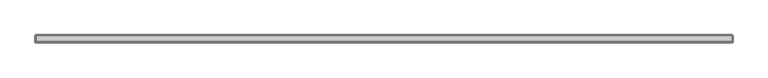
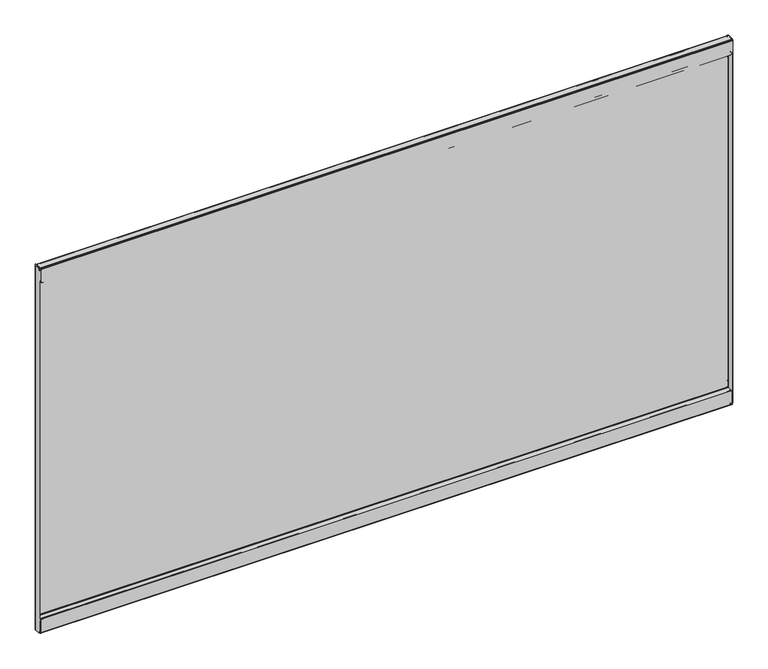
"""IFC4 building model written with IfcOpenShell, lengths in millimetres: furniture geometry."""

from ifc_helpers import new_model, si_unit, origin, place, context, project, spatial, triangles, source, transform, mapped, element, save


def furniture_b4a425d5(model_context):
    return source(origin(), model_context, "Body", "Tessellation", [
        triangles([(36.8807998, -16.4083996, 61.8998009), (36.8807998, -15.6717996, 61.8998009), (36.1188005, -15.6717996, 61.695621), (36.1188005, -16.4083996, 61.695621), (35.5609767, -15.6717996, 61.1378016), (35.5609767, -16.4083996, 61.1378016), (35.356799, -15.6717996, 60.3757978), (35.356799, -16.4083996, 60.3757978), (35.356799, -16.4083996, 49.9364005), (35.356799, -15.6717996, 49.9364005), (35.356799, -15.8691713, 49.1997994), (35.356799, -16.5070854, 49.5681), (35.356799, -16.4083996, 48.66057), (35.356799, -16.7767001, 49.2984852), (35.356799, -17.1449995, 49.1997994), (35.356799, -17.1449995, 48.4631983), (1183.8940155, -15.6717996, 49.9364005), (1183.8940155, -15.8691713, 49.1997994), (1183.8940155, -16.4083996, 48.66057), (1183.8940155, -17.1449995, 48.4631983), (1182.3699806, -16.4083996, 61.8998009), (1182.3699806, -15.6717996, 61.8998009), (1183.1319981, -15.6717996, 61.695621), (1183.1319981, -16.4083996, 61.695621), (1183.6898129, -15.6717996, 61.1378016), (1183.6898129, -16.4083996, 61.1378016), (1183.8940155, -15.6717996, 60.3757978), (1183.8940155, -16.4083996, 60.3757978), (1183.8940155, -16.4083996, 49.9364005), (1183.8940155, -16.5070854, 49.5681), (1183.8940155, -16.7767001, 49.2984852), (1183.8940155, -17.1449995, 49.1997994), (35.356799, -25.4253989, 49.1997994), (35.356799, -25.4253989, 48.4631983), (35.356799, -25.7936995, 48.3645125), (35.356799, -26.162, 49.0024277), (35.356799, -26.0633142, 48.0948977), (35.356799, -26.7012295, 48.4631983), (35.356799, -26.162, 47.7266017), (35.356799, -26.8985989, 47.7266017), (1183.8940155, -25.4253989, 48.4631983), (1183.8940155, -25.7936995, 48.3645125), (1183.8940155, -26.0633142, 48.0948977), (1183.8940155, -26.162, 47.7266017), (1183.8940155, -25.4253989, 49.1997994), (1183.8940155, -26.162, 49.0024277), (1183.8940155, -26.7012295, 48.4631983), (1183.8940155, -26.8985989, 47.7266017), (35.356799, -26.162, 27.8130007), (35.356799, -26.8985989, 27.8130007), (35.356799, -26.0633142, 27.4447002), (35.356799, -26.7012295, 27.0763996), (35.356799, -26.162, 26.5371724), (35.356799, -25.7936995, 27.1750854), (35.356799, -25.4253989, 26.3398008), (35.356799, -25.4253989, 27.0763996), (1183.8940155, -26.8985989, 27.8130007), (1183.8940155, -26.7012295, 27.0763996), (1183.8940155, -26.162, 26.5371724), (1183.8940155, -25.4253989, 26.3398008), (1183.8940155, -26.162, 27.8130007), (1183.8940155, -26.0633142, 27.4447002), (1183.8940155, -25.7936995, 27.1750854), (1183.8940155, -25.4253989, 27.0763996), (35.356799, -16.4083996, 27.8130007), (35.356799, -15.6717996, 27.8130007), (35.356799, -15.8691713, 27.0763996), (35.356799, -16.5070854, 27.4447002), (35.356799, -16.7767001, 27.1750854), (35.356799, -16.4083996, 26.5371724), (35.356799, -17.1449995, 27.0763996), (35.356799, -17.1449995, 26.3398008), (1183.8940155, -15.6717996, 27.8130007), (1183.8940155, -15.8691713, 27.0763996), (1183.8940155, -16.4083996, 26.5371724), (1183.8940155, -17.1449995, 26.3398008), (1183.8940155, -16.4083996, 27.8130007), (1183.8940155, -16.5070854, 27.4447002), (1183.8940155, -16.7767001, 27.1750854), (1183.8940155, -17.1449995, 27.0763996), (35.356799, -16.4083996, 34.3408), (35.356799, -15.6717996, 34.3408), (35.5609767, -15.6717996, 35.1027992), (35.5609767, -16.4083996, 35.1027992), (36.1188005, -15.6717996, 35.6606231), (36.1188005, -16.4083996, 35.6606231), (36.8807998, -15.6717996, 35.8648008), (36.8807998, -16.4083996, 35.8648008), (1183.8940155, -16.4083996, 34.3408), (1183.6898129, -16.4083996, 35.1027992), (1183.1319981, -16.4083996, 35.6606231), (1182.3699806, -16.4083996, 35.8648008), (1183.8940155, -15.6717996, 34.3408), (1183.6898129, -15.6717996, 35.1027992), (1183.1319981, -15.6717996, 35.6606231), (1182.3699806, -15.6717996, 35.8648008), (36.1188005, -16.4083996, 630.9115625), (36.1188005, -15.6717996, 630.9115625), (36.8807998, -15.6717996, 630.7074326), (36.8807998, -16.4083996, 630.7074326), (35.5609767, -16.4083996, 631.4693773), (35.5609767, -15.6717996, 631.4693773), (35.356799, -16.4083996, 632.2313948), (35.356799, -15.6717996, 632.2313948), (35.356799, -16.5070854, 643.0390926), (35.356799, -15.8691713, 643.4073841), (35.356799, -16.4083996, 642.6708012), (35.356799, -15.6717996, 642.6708012), (35.356799, -16.7767001, 643.3086983), (35.356799, -16.4083996, 643.9465954), (35.356799, -17.1449995, 643.4073841), (35.356799, -17.1449995, 644.1439671), (1183.8940155, -15.8691713, 643.4073841), (1183.8940155, -15.6717996, 642.6708012), (1183.8940155, -16.4083996, 643.9465954), (1183.8940155, -17.1449995, 644.1439671), (1183.1319981, -16.4083996, 630.9115625), (1183.1319981, -15.6717996, 630.9115625), (1182.3699806, -15.6717996, 630.7074326), (1182.3699806, -16.4083996, 630.7074326), (1183.6898129, -16.4083996, 631.4693773), (1183.6898129, -15.6717996, 631.4693773), (1183.8940155, -16.4083996, 632.2313948), (1183.8940155, -15.6717996, 632.2313948), (1183.8940155, -16.5070854, 643.0390926), (1183.8940155, -16.4083996, 642.6708012), (1183.8940155, -16.7767001, 643.3086983), (1183.8940155, -17.1449995, 643.4073841), (35.356799, -26.162, 643.6047558), (35.356799, -25.7936995, 644.2426529), (35.356799, -25.4253989, 644.1439671), (35.356799, -25.4253989, 643.4073841), (35.356799, -26.7012295, 644.1439671), (35.356799, -26.0633142, 644.5123312), (35.356799, -26.8985989, 644.8806227), (35.356799, -26.162, 644.8806227), (1183.8940155, -25.7936995, 644.2426529), (1183.8940155, -25.4253989, 644.1439671), (1183.8940155, -26.0633142, 644.5123312), (1183.8940155, -26.162, 644.8806227), (1183.8940155, -26.162, 643.6047558), (1183.8940155, -25.4253989, 643.4073841), (1183.8940155, -26.7012295, 644.1439671), (1183.8940155, -26.8985989, 644.8806227), (35.356799, -26.0633142, 665.1625242), (35.356799, -26.7012295, 665.5308157), (35.356799, -26.162, 664.7942327), (35.356799, -26.8985989, 664.7942327), (35.356799, -25.7936995, 665.4321299), (35.356799, -26.162, 666.070027), (35.356799, -25.4253989, 665.5308157), (35.356799, -25.4253989, 666.2673986), (1183.8940155, -26.7012295, 665.5308157), (1183.8940155, -26.8985989, 664.7942327), (1183.8940155, -26.162, 666.070027), (1183.8940155, -25.4253989, 666.2673986), (1183.8940155, -26.0633142, 665.1625242), (1183.8940155, -26.162, 664.7942327), (1183.8940155, -25.7936995, 665.4321299), (1183.8940155, -25.4253989, 665.5308157), (35.356799, -16.5070854, 665.1625242), (35.356799, -15.8691713, 665.5308157), (35.356799, -16.4083996, 664.7942327), (35.356799, -15.6717996, 664.7942327), (35.356799, -16.7767001, 665.4321299), (35.356799, -16.4083996, 666.070027), (35.356799, -17.1449995, 665.5308157), (35.356799, -17.1449995, 666.2673986), (1183.8940155, -15.8691713, 665.5308157), (1183.8940155, -15.6717996, 664.7942327), (1183.8940155, -16.4083996, 666.070027), (1183.8940155, -17.1449995, 666.2673986), (1183.8940155, -16.5070854, 665.1625242), (1183.8940155, -16.4083996, 664.7942327), (1183.8940155, -16.7767001, 665.4321299), (1183.8940155, -17.1449995, 665.5308157), (35.5609767, -16.4083996, 657.5044161), (35.5609767, -15.6717996, 657.5044161), (35.356799, -15.6717996, 658.2664335), (35.356799, -16.4083996, 658.2664335), (36.1188005, -16.4083996, 656.9466013), (36.1188005, -15.6717996, 656.9466013), (36.8807998, -16.4083996, 656.7423986), (36.8807998, -15.6717996, 656.7423986), (1183.6898129, -16.4083996, 657.5044161), (1183.8940155, -16.4083996, 658.2664335), (1183.1319981, -16.4083996, 656.9466013), (1182.3699806, -16.4083996, 656.7423986), (1183.6898129, -15.6717996, 657.5044161), (1183.8940155, -15.6717996, 658.2664335), (1183.1319981, -15.6717996, 656.9466013), (1182.3699806, -15.6717996, 656.7423986), (33.2994005, -24.4602007, 667.0039816), (34.0359993, -24.4602007, 667.0039816), (33.2994005, -26.0476992, 666.5786442), (34.0359993, -26.0476992, 666.5786442), (33.2994005, -27.2098308, 665.4165058), (34.0359993, -27.2098308, 665.4165058), (33.2994005, -27.6352, 663.82903), (34.0359993, -27.6352, 663.82903), (34.0359993, -16.4338, 667.0039816), (33.2994005, -16.4338, 667.0039816), (34.1380893, -16.0528004, 667.0039816), (33.500174, -15.6844998, 667.0039816), (34.416999, -15.7738884, 667.0039816), (34.0487007, -15.1359743, 667.0039816), (34.7980009, -14.9351996, 667.0039816), (34.7980009, -15.6717996, 667.0039816), (34.7980009, -16.4338, 667.0039816), (34.7980009, -16.4338, 666.2673986), (34.7980009, -27.0763996, 667.0039816), (34.7980009, -27.0763996, 666.2673986), (34.7980009, -27.4573992, 666.1652973), (34.7980009, -27.8256998, 666.8031944), (34.7980009, -27.7363112, 665.8863899), (34.7980009, -28.3742265, 666.2546814), (34.7980009, -27.8383989, 665.5053812), (34.7980009, -28.575, 665.5053812), (34.7980009, -28.575, 644.77903), (34.7980009, -27.8383989, 644.77903), (35.2233701, -27.8383989, 643.1914816), (35.2233701, -28.575, 643.1914816), (36.3854994, -27.8383989, 642.0293432), (36.3854994, -28.575, 642.0293432), (37.9730001, -27.8383989, 641.6040058), (37.9730001, -28.575, 641.6040058), (1183.8940155, -27.8383989, 644.77903), (1183.4686054, -27.8383989, 643.1914816), (1182.3064671, -27.8383989, 642.0293432), (1180.7189913, -27.8383989, 641.6040058), (1183.8940155, -28.575, 644.77903), (1183.4686054, -28.575, 643.1914816), (1182.3064671, -28.575, 642.0293432), (1180.7189913, -28.575, 641.6040058), (1183.8940155, -27.0763996, 666.2673986), (1183.8940155, -27.4573992, 666.1652973), (1183.8940155, -27.7363112, 665.8863899), (1183.8940155, -27.8383989, 665.5053812), (1183.8940155, -27.0763996, 667.0039816), (1183.8940155, -27.8256998, 666.8031944), (1183.8940155, -28.3742265, 666.2546814), (1183.8940155, -28.575, 665.5053812), (1183.8940155, -16.4338, 666.2673986), (1183.8940155, -16.4338, 667.0039816), (1183.8940155, -16.0676296, 666.9585629), (1183.8940155, -16.2476116, 666.2442896), (1183.8940155, -15.9498418, 666.0940081), (1183.8940155, -15.482014, 666.6629414), (1183.8940155, -15.7448079, 665.8308701), (1183.8940155, -15.0787819, 666.1455311), (1183.8940155, -15.6717996, 665.5053812), (1183.8940155, -14.9351996, 665.5053812), (34.7980009, -16.0676296, 666.9585629), (34.7980009, -16.2476116, 666.2442896), (34.7980009, -15.9498418, 666.0940081), (34.7980009, -15.482014, 666.6629414), (34.7980009, -15.7448079, 665.8308701), (34.7980009, -15.0787819, 666.1455311), (34.7980009, -15.6717996, 665.5053812), (34.7980009, -14.9351996, 665.5053812), (1183.8940155, -15.6717996, 27.1018), (34.7980009, -15.6717996, 27.1018), (1183.8940155, -14.9351996, 27.1018), (34.7980009, -14.9351996, 27.1018), (1183.8940155, -14.9351996, 667.0039816), (1183.8940155, -15.6717996, 667.0039816), (1185.3926159, -16.4338, 667.0039816), (1184.6560329, -16.4338, 667.0039816), (1184.5539316, -16.0528004, 667.0039816), (1185.1918287, -15.6844998, 667.0039816), (1184.2750242, -15.7738884, 667.0039816), (1184.6433157, -15.1359743, 667.0039816), (1184.6560329, -16.4338, 25.6031997), (1184.5539316, -16.0528004, 25.6031997), (1184.2750242, -15.7738884, 25.6031997), (1183.8940155, -15.6717996, 25.6031997), (1185.3926159, -16.4338, 25.6031997), (1185.1918287, -15.6844998, 25.6031997), (1184.6433157, -15.1359743, 25.6031997), (1183.8940155, -14.9351996, 25.6031997), (1183.8940155, -16.0861389, 25.6440856), (1183.8940155, -16.2570235, 26.3605889), (1183.8940155, -15.9548492, 26.5091377), (1183.8940155, -15.4918619, 25.936228), (1183.8940155, -15.7461932, 26.7734067), (1183.8940155, -15.081507, 26.4559615), (34.7980009, -16.2570235, 26.3605889), (34.7980009, -15.9548492, 26.5091377), (34.7980009, -15.7461932, 26.7734067), (34.7980009, -15.081507, 26.4559615), (34.7980009, -15.4918619, 25.936228), (34.7980009, -16.0861389, 25.6440856), (1183.8940155, -16.4338, 25.6031997), (34.7980009, -16.4338, 25.6031997), (34.7980009, -16.4338, 26.3398008), (1183.8940155, -16.4338, 26.3398008), (1183.8940155, -27.0763996, 26.3398008), (1183.8940155, -27.0763996, 25.6031997), (34.7980009, -27.0763996, 26.3398008), (34.7980009, -27.0763996, 25.6031997), (34.7980009, -27.8383989, 27.1018), (34.7980009, -28.575, 27.1018), (34.7980009, -27.7363112, 26.7208004), (34.7980009, -28.3742265, 26.3524998), (34.7980009, -27.4573992, 26.4418885), (34.7980009, -27.8256998, 25.8039755), (1183.8940155, -27.8383989, 27.1018), (1183.8940155, -27.7363112, 26.7208004), (1183.8940155, -27.4573992, 26.4418885), (1183.8940155, -28.575, 27.1018), (1183.8940155, -28.3742265, 26.3524998), (1183.8940155, -27.8256998, 25.8039755), (1185.3926159, -24.4602007, 25.6031997), (1184.6560329, -24.4602007, 25.6031997), (1185.3926159, -26.0476992, 26.0285689), (1184.6560329, -26.0476992, 26.0285689), (1185.3926159, -27.2098308, 27.1907004), (1184.6560329, -27.2098308, 27.1907004), (1185.3926159, -27.6352, 28.7781989), (1184.6560329, -27.6352, 28.7781989), (1184.6560329, -27.6352, 663.82903), (1184.6560329, -27.2098308, 665.4165058), (1184.6560329, -26.0476992, 666.5786442), (1184.6560329, -24.4602007, 667.0039816), (1185.3926159, -27.6352, 663.82903), (1185.3926159, -27.2098308, 665.4165058), (1185.3926159, -26.0476992, 666.5786442), (1185.3926159, -24.4602007, 667.0039816), (1183.8940155, -28.575, 47.8281989), (1183.8940155, -27.8383989, 47.8281989), (1180.7189913, -27.8383989, 51.0032004), (37.9730001, -27.8383989, 51.0032004), (37.9730001, -28.575, 51.0032004), (1180.7189913, -28.575, 51.0032004), (36.3854994, -27.8383989, 50.5778312), (1182.3064671, -27.8383989, 50.5778312), (35.2233701, -27.8383989, 49.4157019), (1183.4686054, -27.8383989, 49.4157019), (34.7980009, -27.8383989, 47.8281989), (36.3854994, -28.575, 50.5778312), (35.2233701, -28.575, 49.4157019), (34.7980009, -28.575, 47.8281989), (1182.3064671, -28.575, 50.5778312), (1183.4686054, -28.575, 49.4157019), (34.0359993, -27.6352, 28.7781989), (34.0359993, -27.2098308, 27.1907004), (34.0359993, -26.0476992, 26.0285689), (34.0359993, -24.4602007, 25.6031997), (33.2994005, -27.6352, 28.7781989), (33.2994005, -27.2098308, 27.1907004), (33.2994005, -26.0476992, 26.0285689), (33.2994005, -24.4602007, 25.6031997), (34.7980009, -15.6717996, 25.6031997), (34.416999, -15.7738884, 25.6031997), (34.1380893, -16.0528004, 25.6031997), (34.0359993, -16.4338, 25.6031997), (34.7980009, -14.9351996, 25.6031997), (34.0487007, -15.1359743, 25.6031997), (33.500174, -15.6844998, 25.6031997), (33.2994005, -16.4338, 25.6031997)], [[1, 2, 3], [1, 3, 4], [4, 3, 5], [4, 5, 6], [6, 5, 7], [6, 7, 8], [9, 10, 11], [9, 11, 12], [12, 11, 13], [12, 13, 14], [14, 13, 15], [13, 16, 15], [10, 17, 18], [10, 18, 11], [11, 18, 19], [11, 19, 13], [13, 19, 20], [13, 20, 16], [21, 22, 23], [21, 23, 24], [24, 23, 25], [24, 25, 26], [26, 25, 27], [26, 27, 28], [29, 17, 18], [29, 18, 30], [30, 18, 19], [30, 19, 31], [31, 19, 32], [19, 20, 32], [29, 9, 12], [29, 12, 30], [30, 12, 14], [30, 14, 31], [31, 14, 15], [31, 15, 32], [33, 34, 35], [33, 35, 36], [36, 35, 37], [36, 37, 38], [38, 37, 39], [38, 39, 40], [34, 41, 42], [34, 42, 35], [35, 42, 43], [35, 43, 37], [37, 43, 44], [37, 44, 39], [41, 45, 46], [41, 46, 42], [42, 46, 47], [42, 47, 43], [43, 47, 44], [47, 48, 44], [45, 33, 36], [45, 36, 46], [46, 36, 38], [46, 38, 47], [47, 38, 40], [47, 40, 48], [49, 50, 51], [50, 52, 51], [51, 52, 53], [51, 53, 54], [54, 53, 55], [54, 55, 56], [50, 57, 58], [50, 58, 52], [52, 58, 59], [52, 59, 53], [53, 59, 60], [53, 60, 55], [57, 61, 62], [57, 62, 58], [58, 62, 63], [58, 63, 59], [59, 63, 60], [63, 64, 60], [61, 49, 51], [61, 51, 62], [62, 51, 54], [62, 54, 63], [63, 54, 56], [63, 56, 64], [65, 66, 67], [65, 67, 68], [68, 67, 69], [67, 70, 69], [69, 70, 71], [70, 72, 71], [66, 73, 74], [66, 74, 67], [67, 74, 75], [67, 75, 70], [70, 75, 76], [70, 76, 72], [73, 77, 74], [77, 78, 74], [74, 78, 79], [74, 79, 75], [75, 79, 80], [75, 80, 76], [77, 65, 68], [77, 68, 78], [78, 68, 69], [78, 69, 79], [79, 69, 71], [79, 71, 80], [1, 21, 24], [1, 24, 4], [4, 24, 26], [4, 26, 6], [6, 26, 28], [6, 28, 8], [22, 2, 3], [22, 3, 23], [23, 3, 5], [23, 5, 25], [25, 5, 7], [25, 7, 27], [81, 82, 83], [81, 83, 84], [84, 83, 85], [84, 85, 86], [86, 85, 87], [86, 87, 88], [81, 89, 90], [81, 90, 84], [84, 90, 91], [84, 91, 86], [86, 91, 92], [86, 92, 88], [89, 93, 94], [89, 94, 90], [90, 94, 95], [90, 95, 91], [91, 95, 96], [91, 96, 92], [93, 82, 83], [93, 83, 94], [94, 83, 85], [94, 85, 95], [95, 85, 87], [95, 87, 96], [27, 17, 10], [27, 10, 7], [82, 66, 73], [82, 73, 93], [29, 17, 28], [17, 27, 28], [28, 29, 9], [28, 9, 8], [8, 7, 10], [8, 10, 9], [15, 16, 33], [16, 34, 33], [33, 45, 32], [33, 32, 15], [40, 39, 49], [40, 49, 50], [50, 40, 48], [50, 48, 57], [20, 32, 45], [20, 45, 41], [44, 48, 57], [44, 57, 61], [64, 60, 76], [64, 76, 80], [77, 73, 89], [73, 93, 89], [92, 96, 87], [92, 87, 88], [20, 41, 34], [20, 34, 16], [49, 39, 44], [49, 44, 61], [64, 80, 71], [64, 71, 56], [76, 60, 55], [76, 55, 72], [81, 82, 66], [81, 66, 65], [71, 72, 56], [72, 55, 56], [97, 98, 99], [97, 99, 100], [101, 102, 98], [101, 98, 97], [103, 104, 102], [103, 102, 101], [105, 106, 107], [106, 108, 107], [109, 110, 105], [110, 106, 105], [111, 112, 110], [111, 110, 109], [106, 113, 114], [106, 114, 108], [110, 115, 113], [110, 113, 106], [112, 116, 115], [112, 115, 110], [117, 118, 119], [117, 119, 120], [121, 122, 118], [121, 118, 117], [123, 124, 122], [123, 122, 121], [125, 113, 126], [113, 114, 126], [127, 115, 125], [115, 113, 125], [128, 116, 115], [128, 115, 127], [125, 105, 107], [125, 107, 126], [127, 109, 105], [127, 105, 125], [128, 111, 109], [128, 109, 127], [129, 130, 131], [129, 131, 132], [133, 134, 129], [134, 130, 129], [135, 136, 133], [136, 134, 133], [130, 137, 138], [130, 138, 131], [134, 139, 137], [134, 137, 130], [136, 140, 139], [136, 139, 134], [137, 141, 142], [137, 142, 138], [139, 143, 141], [139, 141, 137], [140, 144, 143], [140, 143, 139], [141, 129, 132], [141, 132, 142], [143, 133, 129], [143, 129, 141], [144, 135, 133], [144, 133, 143], [145, 146, 147], [146, 148, 147], [149, 150, 145], [150, 146, 145], [151, 152, 150], [151, 150, 149], [146, 153, 154], [146, 154, 148], [150, 155, 153], [150, 153, 146], [152, 156, 155], [152, 155, 150], [153, 157, 158], [153, 158, 154], [155, 159, 157], [155, 157, 153], [156, 160, 159], [156, 159, 155], [157, 145, 147], [157, 147, 158], [159, 149, 145], [159, 145, 157], [160, 151, 149], [160, 149, 159], [161, 162, 163], [162, 164, 163], [165, 166, 161], [166, 162, 161], [167, 168, 166], [167, 166, 165], [162, 169, 170], [162, 170, 164], [166, 171, 169], [166, 169, 162], [168, 172, 171], [168, 171, 166], [169, 173, 174], [169, 174, 170], [171, 175, 173], [171, 173, 169], [172, 176, 175], [172, 175, 171], [173, 161, 163], [173, 163, 174], [175, 165, 161], [175, 161, 173], [176, 167, 165], [176, 165, 175], [97, 117, 120], [97, 120, 100], [101, 121, 117], [101, 117, 97], [103, 123, 121], [103, 121, 101], [118, 98, 99], [118, 99, 119], [122, 102, 98], [122, 98, 118], [124, 104, 102], [124, 102, 122], [177, 178, 179], [177, 179, 180], [181, 182, 178], [181, 178, 177], [183, 184, 182], [183, 182, 181], [177, 185, 186], [177, 186, 180], [181, 187, 185], [181, 185, 177], [183, 188, 187], [183, 187, 181], [185, 189, 190], [185, 190, 186], [187, 191, 189], [187, 189, 185], [188, 192, 191], [188, 191, 187], [189, 178, 179], [189, 179, 190], [191, 182, 178], [191, 178, 189], [192, 184, 182], [192, 182, 191], [104, 108, 114], [104, 114, 124], [190, 170, 164], [190, 164, 179], [123, 124, 114], [123, 114, 126], [103, 107, 126], [103, 126, 123], [107, 108, 104], [107, 104, 103], [132, 131, 112], [132, 112, 111], [111, 128, 142], [111, 142, 132], [148, 147, 136], [148, 136, 135], [154, 144, 135], [154, 135, 148], [138, 142, 128], [138, 128, 116], [158, 154, 144], [158, 144, 140], [176, 172, 156], [176, 156, 160], [186, 190, 170], [186, 170, 174], [183, 184, 192], [183, 192, 188], [112, 131, 138], [112, 138, 116], [158, 140, 136], [158, 136, 147], [151, 167, 176], [151, 176, 160], [168, 152, 156], [168, 156, 172], [163, 164, 179], [163, 179, 180], [151, 152, 168], [151, 168, 167], [193, 194, 195], [194, 196, 195], [195, 196, 197], [196, 198, 197], [197, 198, 199], [198, 200, 199], [201, 202, 203], [202, 204, 203], [203, 204, 205], [204, 206, 205], [205, 206, 207], [205, 207, 208], [201, 202, 194], [202, 193, 194], [209, 210, 211], [210, 212, 211], [211, 212, 213], [211, 213, 214], [214, 213, 215], [214, 215, 216], [216, 215, 217], [216, 217, 218], [219, 220, 221], [219, 221, 222], [222, 221, 223], [222, 223, 224], [224, 223, 225], [224, 225, 226], [220, 227, 228], [220, 228, 221], [221, 228, 229], [221, 229, 223], [223, 229, 230], [223, 230, 225], [227, 231, 228], [231, 232, 228], [228, 232, 229], [232, 233, 229], [229, 233, 230], [233, 234, 230], [231, 219, 222], [231, 222, 232], [232, 222, 224], [232, 224, 233], [233, 224, 226], [233, 226, 234], [225, 226, 234], [225, 234, 230], [212, 235, 236], [212, 236, 213], [213, 236, 237], [213, 237, 215], [215, 237, 238], [215, 238, 217], [235, 239, 240], [235, 240, 236], [236, 240, 237], [240, 241, 237], [237, 241, 238], [241, 242, 238], [239, 211, 214], [239, 214, 240], [240, 214, 216], [240, 216, 241], [241, 216, 218], [241, 218, 242], [210, 212, 235], [210, 235, 243], [243, 244, 239], [243, 239, 235], [239, 244, 209], [239, 209, 211], [218, 217, 220], [218, 220, 219], [220, 227, 238], [220, 238, 217], [218, 219, 231], [218, 231, 242], [242, 238, 227], [242, 227, 231], [245, 246, 247], [245, 247, 248], [248, 247, 249], [248, 249, 250], [250, 249, 251], [250, 251, 252], [245, 244, 246], [244, 243, 246], [244, 245, 253], [244, 253, 209], [209, 210, 254], [209, 254, 253], [253, 254, 255], [253, 255, 256], [256, 255, 257], [256, 257, 258], [258, 257, 259], [258, 259, 260], [259, 251, 249], [259, 249, 257], [257, 249, 247], [257, 247, 255], [255, 247, 246], [255, 246, 254], [252, 260, 258], [252, 258, 250], [250, 258, 256], [250, 256, 248], [248, 256, 253], [248, 253, 245], [259, 251, 261], [259, 261, 262], [260, 252, 263], [260, 263, 264], [259, 260, 264], [259, 264, 262], [252, 251, 261], [252, 261, 263], [251, 252, 265], [251, 265, 266], [267, 268, 269], [267, 269, 270], [270, 269, 271], [270, 271, 272], [272, 271, 266], [272, 266, 265], [268, 273, 274], [268, 274, 269], [269, 274, 275], [269, 275, 271], [271, 275, 276], [271, 276, 266], [277, 273, 274], [277, 274, 278], [278, 274, 275], [278, 275, 279], [279, 275, 276], [279, 276, 280], [277, 267, 270], [277, 270, 278], [278, 270, 272], [278, 272, 279], [279, 272, 265], [279, 265, 280], [261, 263, 280], [261, 280, 276], [281, 282, 283], [281, 283, 284], [284, 283, 285], [284, 285, 286], [286, 285, 261], [286, 261, 263], [282, 287, 288], [282, 288, 283], [283, 288, 289], [283, 289, 285], [285, 289, 262], [285, 262, 261], [262, 264, 290], [262, 290, 289], [289, 290, 291], [289, 291, 288], [288, 291, 287], [291, 292, 287], [264, 263, 286], [264, 286, 290], [290, 286, 284], [290, 284, 291], [291, 284, 281], [291, 281, 292], [281, 293, 294], [281, 294, 292], [295, 287, 292], [295, 292, 294], [295, 287, 282], [295, 282, 296], [282, 296, 293], [282, 293, 281], [297, 298, 293], [297, 293, 296], [296, 295, 297], [295, 299, 297], [293, 294, 298], [294, 300, 298], [301, 302, 303], [302, 304, 303], [303, 304, 305], [304, 306, 305], [305, 306, 300], [305, 300, 299], [301, 307, 308], [301, 308, 303], [303, 308, 309], [303, 309, 305], [305, 309, 297], [305, 297, 299], [310, 302, 304], [310, 304, 311], [311, 304, 306], [311, 306, 312], [312, 306, 300], [312, 300, 298], [310, 307, 308], [310, 308, 311], [311, 308, 309], [311, 309, 312], [312, 309, 298], [309, 297, 298], [313, 314, 315], [314, 316, 315], [315, 316, 317], [316, 318, 317], [317, 318, 319], [318, 320, 319], [320, 321, 322], [320, 322, 318], [318, 322, 323], [318, 323, 316], [316, 323, 324], [316, 324, 314], [321, 325, 326], [321, 326, 322], [322, 326, 327], [322, 327, 323], [323, 327, 328], [323, 328, 324], [320, 319, 325], [320, 325, 321], [268, 324, 314], [268, 314, 273], [273, 314, 313], [273, 313, 277], [277, 313, 328], [277, 328, 267], [267, 268, 328], [268, 324, 328], [310, 307, 329], [307, 330, 329], [331, 332, 333], [331, 333, 334], [331, 332, 335], [331, 335, 336], [336, 335, 337], [336, 337, 338], [338, 337, 339], [338, 339, 330], [332, 333, 340], [332, 340, 335], [335, 340, 337], [340, 341, 337], [337, 341, 342], [337, 342, 339], [333, 334, 343], [333, 343, 340], [340, 343, 344], [340, 344, 341], [341, 344, 329], [341, 329, 342], [334, 331, 336], [334, 336, 343], [343, 336, 338], [343, 338, 344], [344, 338, 330], [344, 330, 329], [200, 345, 346], [200, 346, 198], [198, 346, 347], [198, 347, 196], [196, 347, 348], [196, 348, 194], [345, 349, 350], [345, 350, 346], [346, 350, 351], [346, 351, 347], [347, 351, 352], [347, 352, 348], [349, 199, 197], [349, 197, 350], [350, 197, 195], [350, 195, 351], [351, 195, 193], [351, 193, 352], [200, 199, 349], [200, 349, 345], [208, 207, 260], [208, 260, 259], [208, 353, 354], [208, 354, 205], [205, 354, 355], [205, 355, 203], [203, 355, 356], [203, 356, 201], [353, 357, 358], [353, 358, 354], [354, 358, 359], [354, 359, 355], [355, 359, 356], [359, 360, 356], [262, 264, 357], [262, 357, 353], [357, 207, 206], [357, 206, 358], [358, 206, 204], [358, 204, 359], [359, 204, 202], [359, 202, 360], [201, 194, 348], [201, 348, 356], [202, 193, 352], [202, 352, 360], [307, 330, 301], [330, 339, 301], [301, 302, 342], [301, 342, 339], [310, 329, 302], [329, 342, 302], [319, 325, 326], [319, 326, 317], [326, 317, 315], [326, 315, 327], [315, 327, 328], [315, 328, 313]], closed=False),
    ])


if __name__ == "__main__":
    model = new_model("IFC4")
    model_context = context("Model", 3, world=origin())
    ifc_project = project(units=[si_unit("LENGTHUNIT", "METRE", prefix="MILLI")], contexts=[model_context])
    site = spatial("IfcSite", under=ifc_project)
    building = spatial("IfcBuilding", under=site)
    placement = place(None, origin())
    furniture_shape = furniture_b4a425d5(model_context)
    element("IfcFurniture", 1, at=placement, inside=building, context=model_context, shape_type="MappedRepresentation", body=[
        mapped(furniture_shape, transform((0.0, 0.0, 0.0), x_axis=(1.0, 0.0, 0.0), y_axis=(0.0, 1.0, 0.0), z_axis=(0.0, 0.0, 1.0))),
    ])
    save(model, "model.ifc")
